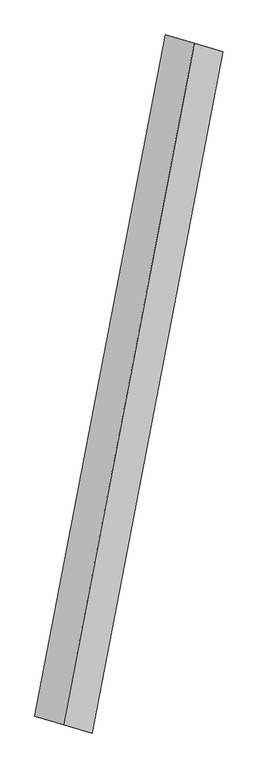
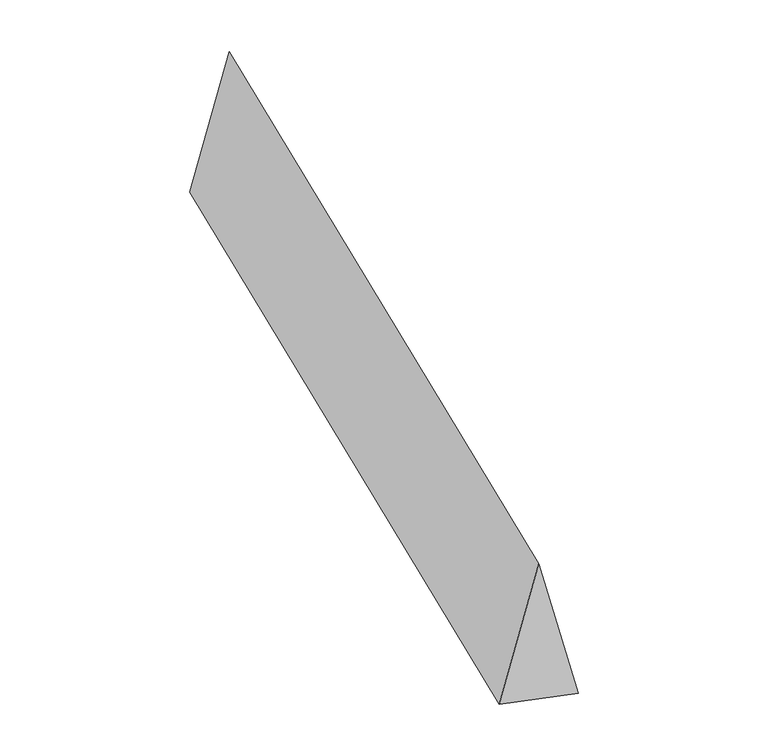
"""IFC4 building model written with IfcOpenShell, lengths in millimetres: proxy geometry."""

from ifc_helpers import new_model, si_unit, origin, place, context, project, spatial, faceted_brep, source, transform, mapped, element, save


def generic_models_693793e2(model_context):
    return source(origin(), model_context, "Body", "Brep", [
        faceted_brep([(-379.6732777, -1973.2555439, 700.0), (-214.0162177, -2022.1682134, 0.0), (545.3303376, 1924.3428744, 0.0), (379.6732777, 1973.2555439, 700.0), (-545.3303376, -1924.3428744, 0.0), (214.0162177, 2022.1682134, 0.0)], [[[0, 1, 2, 3]], [[1, 4, 5, 2]], [[4, 0, 3, 5]], [[3, 2, 5]], [[0, 4, 1]]]),
    ])


if __name__ == "__main__":
    model = new_model("IFC4")
    model_context = context("Model", 3, world=origin())
    ifc_project = project(units=[si_unit("LENGTHUNIT", "METRE", prefix="MILLI")], contexts=[model_context])
    site = spatial("IfcSite", under=ifc_project)
    building = spatial("IfcBuilding", under=site)
    placement = place(None, origin())
    generic_models_shape = generic_models_693793e2(model_context)
    element("IfcBuildingElementProxy", 1, Name="Generic Models", at=placement, inside=building, context=model_context, shape_type="MappedRepresentation", body=[
        mapped(generic_models_shape, transform((0.0, 0.0, 0.0), x_axis=(1.0, 0.0, 0.0), y_axis=(0.0, 1.0, 0.0), z_axis=(0.0, 0.0, 1.0))),
    ])
    save(model, "model.ifc")
